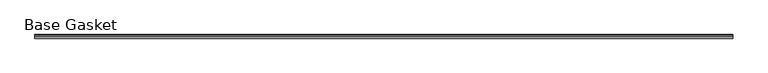
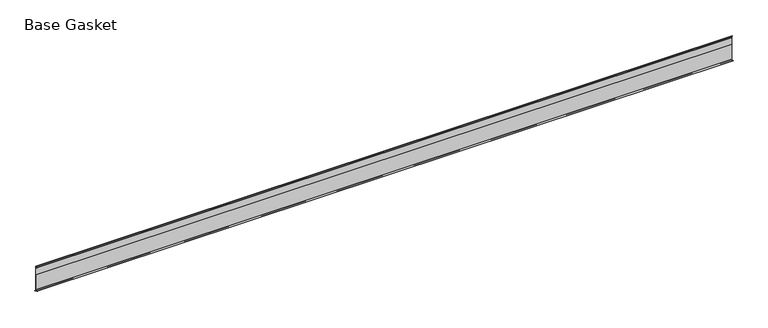
"""IFC4 building model written with IfcOpenShell, lengths in millimetres: furniture geometry, Base Gasket."""

from ifc_helpers import new_model, si_unit, frame, origin, place, context, project, spatial, polyline, outline, extrude, source, transform, mapped, element, save


def base_gasket_50cfec08(model_context):
    return source(origin(), model_context, "Body", "SweptSolid", [
        extrude(outline(polyline([(3.7283812, 98.4568417), (3.7283812, 4.3498477), (7.4222115, 0.6560174), (7.8482342, 0.0), (6.8281054, 0.3520979), (2.2043812, 4.3498477), (2.1334222, 6.3818476), (-6.2405171, 6.3818476), (-6.2405171, 7.9398773), (2.2043812, 7.9398773), (2.2043812, 71.4693447), (1.4106313, 71.4693447), (1.4106313, 96.8693477), (2.2043812, 96.8693477), (2.2043812, 98.4568417), (0.6755308, 104.4162708), (0.6755308, 105.2002997), (1.1891543, 104.587663), (3.7283812, 98.4568417)])), frame((-1527.8982117, 0.0, 0.0), z_axis=(1.0, 0.0, 0.0), x_axis=(0.0, 1.0, 0.0)), (0.0, 0.0, 1.0), 2722.1240991),
    ])


if __name__ == "__main__":
    model = new_model("IFC4")
    model_context = context("Model", 3, world=origin())
    ifc_project = project(units=[si_unit("LENGTHUNIT", "METRE", prefix="MILLI")], contexts=[model_context])
    site = spatial("IfcSite", under=ifc_project)
    building = spatial("IfcBuilding", under=site)
    placement = place(None, origin())
    base_gasket_shape = base_gasket_50cfec08(model_context)
    element("IfcFurniture", 1, ObjectType="Base Gasket", at=placement, inside=building, context=model_context, shape_type="MappedRepresentation", body=[
        mapped(base_gasket_shape, transform((0.0, 0.0, 0.0), x_axis=(1.0, 0.0, 0.0), y_axis=(0.0, 1.0, 0.0), z_axis=(0.0, 0.0, 1.0))),
    ])
    save(model, "model.ifc")
